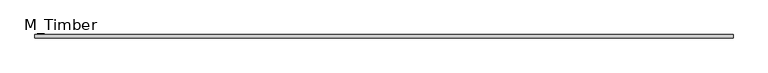
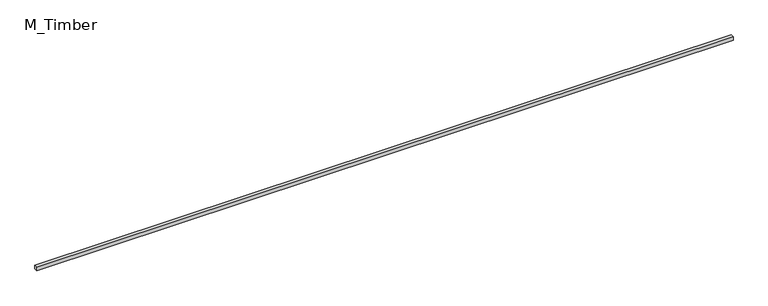
"""IFC4 building model written with IfcOpenShell, lengths in millimetres: beam geometry, M_Timber."""

from ifc_helpers import new_model, si_unit, frame, origin, place, context, project, spatial, polyline, outline, extrude, source, transform, mapped, element, save


def m_timber_73b136fd(model_context):
    return source(origin(), model_context, "Body", "SweptSolid", [
        extrude(outline(polyline([(6160.4969285, 30.0), (6160.4969285, -30.0), (-6160.4969285, -30.0), (-6160.4969285, 30.0), (6160.4969285, 30.0)])), frame((0.0, 0.0, -30.0), z_axis=(0.0, 0.0, 1.0), x_axis=(1.0, 0.0, 0.0)), (0.0, 0.0, 1.0), 60.0),
    ])


if __name__ == "__main__":
    model = new_model("IFC4")
    model_context = context("Model", 3, world=origin())
    ifc_project = project(units=[si_unit("LENGTHUNIT", "METRE", prefix="MILLI")], contexts=[model_context])
    site = spatial("IfcSite", under=ifc_project)
    building = spatial("IfcBuilding", under=site)
    placement = place(None, origin())
    m_timber_shape = m_timber_73b136fd(model_context)
    element("IfcBeam", 1, ObjectType="M_Timber", at=placement, inside=building, context=model_context, shape_type="MappedRepresentation", body=[
        mapped(m_timber_shape, transform((0.0, 0.0, 0.0), x_axis=(1.0, 0.0, 0.0), y_axis=(0.0, 1.0, 0.0), z_axis=(0.0, 0.0, 1.0))),
    ])
    save(model, "model.ifc")
